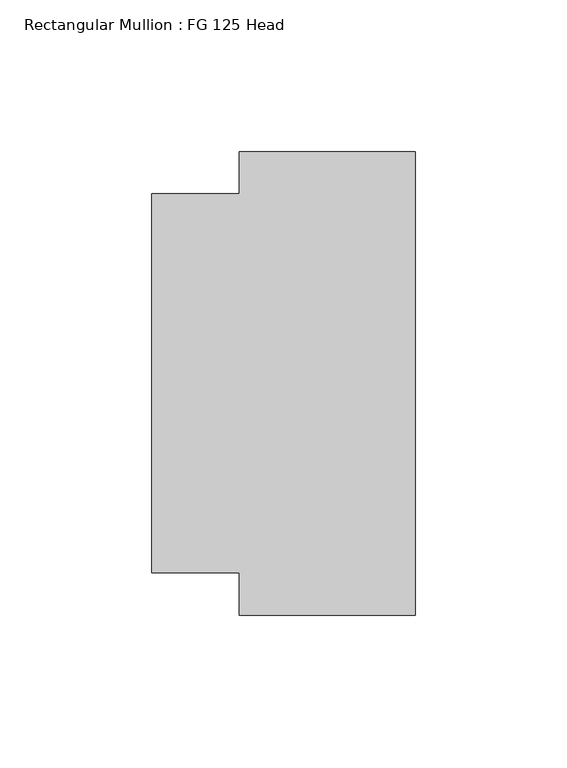
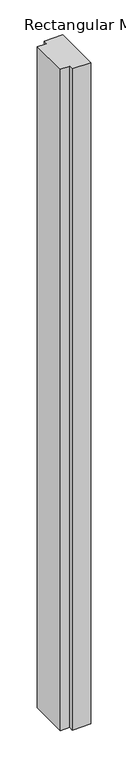
"""IFC4 building model written with IfcOpenShell, lengths in millimetres: member geometry, Rectangular Mullion : FG 125 Head."""

from ifc_helpers import new_model, si_unit, frame, origin, place, context, project, spatial, polyline, outline, extrude, source, transform, mapped, element, save


def rectangular_mullion_fg_125_head_9632d8da(model_context):
    return source(origin(), model_context, "Body", "SweptSolid", [
        extrude(outline(polyline([(0.0, -76.5), (-58.0, -76.5), (-58.0, -62.4946881), (-87.0, -62.4946881), (-87.0, 62.5054723), (-58.0, 62.5054723), (-58.0, 76.5054723), (0.0, 76.5054723), (0.0, -76.5)])), frame((0.0, 0.0, -2200.0), z_axis=(0.0, 0.0, 1.0), x_axis=(1.0, 0.0, 0.0)), (0.0, 0.0, 1.0), 2200.0),
    ])


if __name__ == "__main__":
    model = new_model("IFC4")
    model_context = context("Model", 3, world=origin())
    ifc_project = project(units=[si_unit("LENGTHUNIT", "METRE", prefix="MILLI")], contexts=[model_context])
    site = spatial("IfcSite", under=ifc_project)
    building = spatial("IfcBuilding", under=site)
    placement = place(None, origin())
    rectangular_mullion_fg_125_head_shape = rectangular_mullion_fg_125_head_9632d8da(model_context)
    element("IfcMember", 1, ObjectType="Rectangular Mullion : FG 125 Head", at=placement, inside=building, context=model_context, shape_type="MappedRepresentation", body=[
        mapped(rectangular_mullion_fg_125_head_shape, transform((0.0, 0.0, 0.0), x_axis=(1.0, 0.0, 0.0), y_axis=(0.0, 1.0, 0.0), z_axis=(0.0, 0.0, 1.0))),
    ])
    save(model, "model.ifc")
